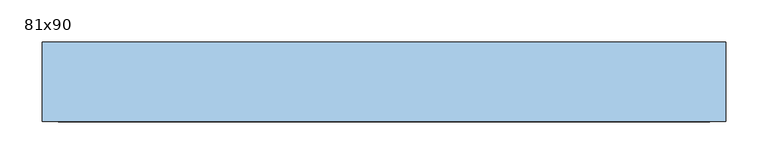
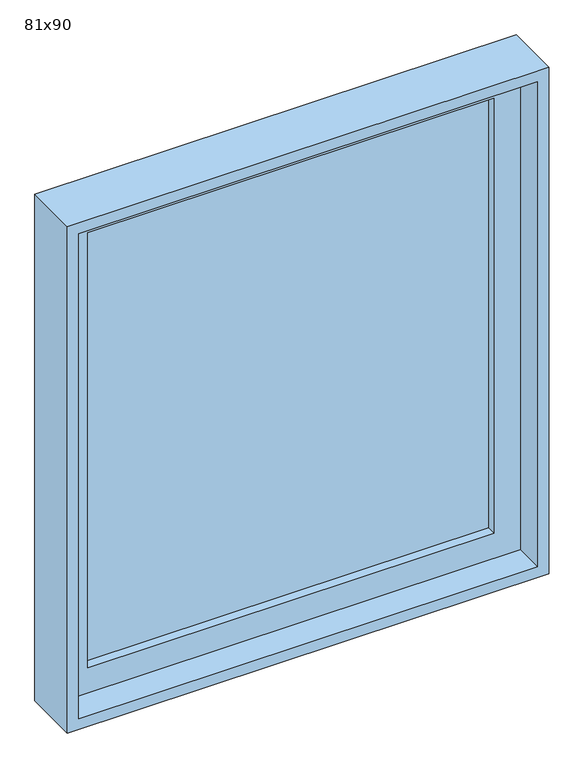
"""IFC4 building model written with IfcOpenShell, lengths in millimetres: window geometry, 81x90."""

from ifc_helpers import new_model, si_unit, frame, origin, place, context, project, spatial, polyline, outline, extrude, source, transform, mapped, element, save


def window_81x90_9d74704b(model_context):
    return source(origin(), model_context, "Body", "SweptSolid", [
        extrude(outline(polyline([(303.4, -81.425), (303.4, -94.125), (-379.6, -94.125), (-379.6, -81.425), (303.4, -81.425)])), frame((0.0, 0.0, 977.9), z_axis=(0.0, 0.0, 1.0), x_axis=(1.0, 0.0, 0.0)), (0.0, 0.0, 1.0), 773.0),
        extrude(outline(polyline([(1795.35, -424.05), (933.45, -424.05), (933.45, 347.85), (1795.35, 347.85), (1795.35, -424.05)]), holes=[polyline([(1750.9, -379.6), (1750.9, 303.4), (977.9, 303.4), (977.9, -379.6), (1750.9, -379.6)])]), frame((0.0, -110.0, 0.0), z_axis=(0.0, 1.0, 0.0), x_axis=(0.0, 0.0, 1.0)), (0.0, 0.0, 1.0), 44.45),
        extrude(outline(polyline([(1814.4, 366.9), (1814.4, -443.1), (914.4, -443.1), (914.4, 366.9), (1814.4, 366.9)]), holes=[polyline([(1795.35, 347.85), (933.45, 347.85), (933.45, -424.05), (1795.35, -424.05), (1795.35, 347.85)])]), frame((0.0, -160.0, 0.0), z_axis=(0.0, 1.0, 0.0), x_axis=(0.0, 0.0, 1.0)), (0.0, 0.0, 1.0), 94.45),
    ])


if __name__ == "__main__":
    model = new_model("IFC4")
    model_context = context("Model", 3, world=origin())
    ifc_project = project(units=[si_unit("LENGTHUNIT", "METRE", prefix="MILLI")], contexts=[model_context])
    site = spatial("IfcSite", under=ifc_project)
    building = spatial("IfcBuilding", under=site)
    placement = place(None, origin())
    window_81x90_shape = window_81x90_9d74704b(model_context)
    element("IfcWindow", 1, ObjectType="81x90", at=placement, inside=building, context=model_context, shape_type="MappedRepresentation", body=[
        mapped(window_81x90_shape, transform((0.0, 0.0, 0.0), x_axis=(1.0, 0.0, 0.0), y_axis=(0.0, 1.0, 0.0), z_axis=(0.0, 0.0, 1.0))),
    ])
    save(model, "model.ifc")
